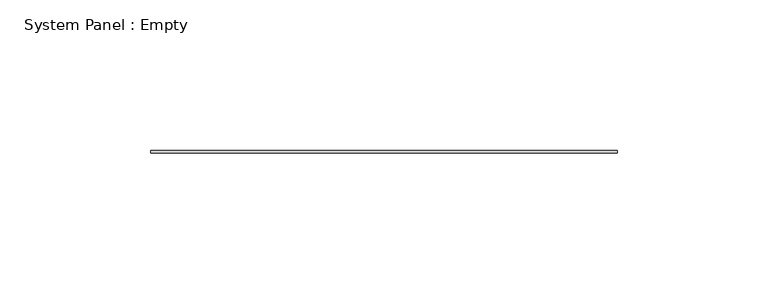
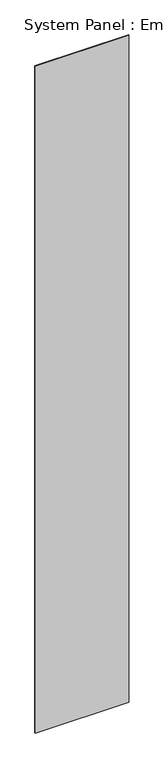
"""IFC4 building model written with IfcOpenShell, lengths in millimetres: plate geometry, System Panel : Empty."""

from ifc_helpers import new_model, si_unit, origin, origin_with_axes, place, context, project, spatial, polyline, outline, extrude, source, transform, mapped, element, save


def system_panel_empty_d65a4482(model_context):
    return source(origin(), model_context, "Body", "SweptSolid", [
        extrude(outline(polyline([(77.4056702, -0.396875), (-77.4056702, -0.396875), (-77.4056702, 0.396875), (77.4056702, 0.396875), (77.4056702, -0.396875)])), origin_with_axes(), (0.0, 0.0, 1.0), 1165.225),
    ])


if __name__ == "__main__":
    model = new_model("IFC4")
    model_context = context("Model", 3, world=origin())
    ifc_project = project(units=[si_unit("LENGTHUNIT", "METRE", prefix="MILLI")], contexts=[model_context])
    site = spatial("IfcSite", under=ifc_project)
    building = spatial("IfcBuilding", under=site)
    placement = place(None, origin())
    system_panel_empty_shape = system_panel_empty_d65a4482(model_context)
    element("IfcPlate", 1, ObjectType="System Panel : Empty", at=placement, inside=building, context=model_context, shape_type="MappedRepresentation", body=[
        mapped(system_panel_empty_shape, transform((0.0, 0.0, 0.0), x_axis=(1.0, 0.0, 0.0), y_axis=(0.0, 1.0, 0.0), z_axis=(0.0, 0.0, 1.0))),
    ])
    save(model, "model.ifc")
